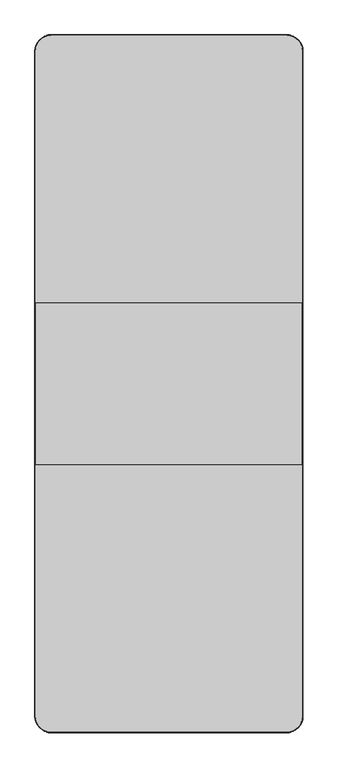
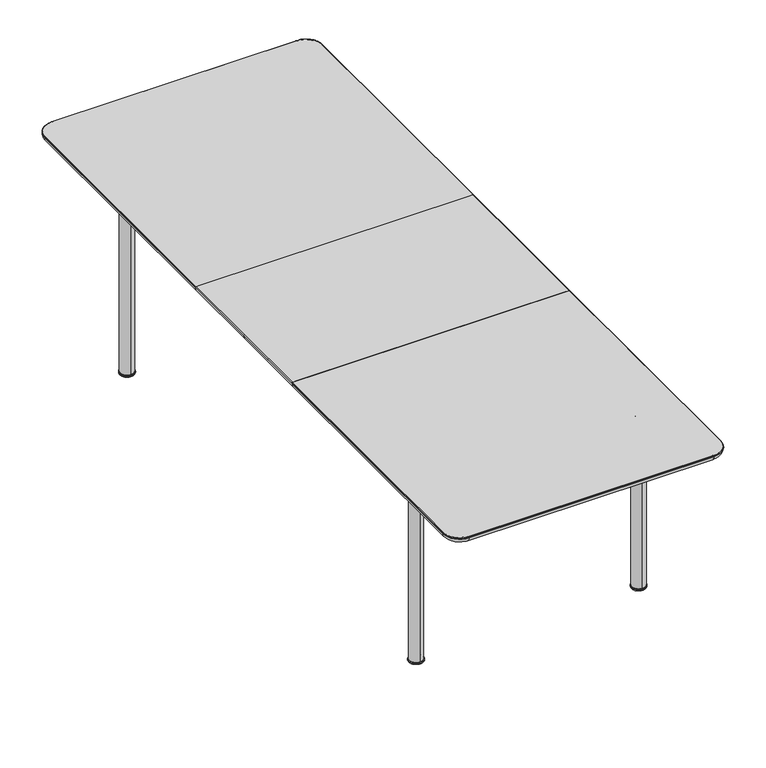
"""IFC4 building model written with IfcOpenShell, lengths in millimetres: furniture geometry."""

from ifc_helpers import new_model, si_unit, point, frame, frame_2d, origin, place, context, project, spatial, polyline, circle_curve, ellipse_curve, trimmed, segment, composite_curve, outline, extrude, source, transform, mapped, element, save
from ifc_brep_helpers import plane_surface, cylinder_surface, revolved_surface, advanced_brep


def furniture_cfee76de(model_context):
    return source(origin(), model_context, "Body", "SolidModel", [
        advanced_brep(
        [(500.0, 0.0, 723.0064935), (498.0, 0.0, 725.0064935), (498.0, -300.0, 725.0064935), (500.0, -300.0, 723.0064935), (492.0, 0.0, 705.0064935), (500.0, 0.0, 721.0064935), (500.0, -300.0, 721.0064935), (492.0, -300.0, 705.0064935), (500.0, 300.0, 723.0064935), (498.0, 300.0, 725.0064935), (492.0, 300.0, 705.0064935), (500.0, 300.0, 721.0064935), (-500.0, 0.0, 723.0064935), (-498.0, 0.0, 725.0064935), (-498.0, 300.0, 725.0064935), (-500.0, 300.0, 723.0064935), (-492.0, 0.0, 705.0064935), (-500.0, 0.0, 721.0064935), (-500.0, 300.0, 721.0064935), (-492.0, 300.0, 705.0064935), (-500.0, -300.0, 723.0064935), (-498.0, -300.0, 725.0064935), (-492.0, -300.0, 705.0064935), (-500.0, -300.0, 721.0064935), (482.510771, -300.0, 725.0064935), (482.510771, 300.0, 725.0064935), (-482.510771, 300.0, 725.0064935), (-482.510771, -300.0, 725.0064935), (483.6332472, 300.0, 705.0064935), (483.6332472, -300.0, 705.0064935), (-483.6332472, -300.0, 705.0064935), (-483.6332472, 300.0, 705.0064935)],
        [
            (0, 1, circle_curve(frame((498.0, 0.0, 723.0064935), z_axis=(0.0, -1.0, 0.0), x_axis=(-1.0, 0.0, 0.0)), 2.0)),
            (1, 2),
            (2, 3, circle_curve(frame((498.0, -300.0, 723.0064935), z_axis=(0.0, 1.0, 0.0), x_axis=(-1.0, 0.0, 0.0)), 2.0)),
            (3, 0),
            (4, 5, circle_curve(frame((480.0, 0.0, 721.0064935), z_axis=(0.0, -1.0, 0.0), x_axis=(-1.0, 0.0, 0.0)), 20.0)),
            (5, 6),
            (6, 7, circle_curve(frame((480.0, -300.0, 721.0064935), z_axis=(0.0, 1.0, 0.0), x_axis=(-1.0, 0.0, 0.0)), 20.0)),
            (7, 4),
            (0, 8),
            (8, 9, circle_curve(frame((498.0, 300.0, 723.0064935), z_axis=(0.0, -1.0, 0.0), x_axis=(-1.0, 0.0, 0.0)), 2.0)),
            (9, 1),
            (4, 10),
            (10, 11, circle_curve(frame((480.0, 300.0, 721.0064935), z_axis=(0.0, -1.0, 0.0), x_axis=(-1.0, 0.0, 0.0)), 20.0)),
            (11, 5),
            (12, 13, circle_curve(frame((-498.0, 0.0, 723.0064935), z_axis=(0.0, 1.0, 0.0), x_axis=(1.0, 0.0, 0.0)), 2.0)),
            (13, 14),
            (14, 15, circle_curve(frame((-498.0, 300.0, 723.0064935), z_axis=(0.0, -1.0, 0.0), x_axis=(1.0, 0.0, 0.0)), 2.0)),
            (15, 12),
            (16, 17, circle_curve(frame((-480.0, 0.0, 721.0064935), z_axis=(0.0, 1.0, 0.0), x_axis=(1.0, 0.0, 0.0)), 20.0)),
            (17, 18),
            (18, 19, circle_curve(frame((-480.0, 300.0, 721.0064935), z_axis=(0.0, -1.0, 0.0), x_axis=(1.0, 0.0, 0.0)), 20.0)),
            (19, 16),
            (12, 20),
            (20, 21, circle_curve(frame((-498.0, -300.0, 723.0064935), z_axis=(0.0, 1.0, 0.0), x_axis=(1.0, 0.0, 0.0)), 2.0)),
            (21, 13),
            (16, 22),
            (22, 23, circle_curve(frame((-480.0, -300.0, 721.0064935), z_axis=(0.0, 1.0, 0.0), x_axis=(1.0, 0.0, 0.0)), 20.0)),
            (23, 17),
            (24, 2),
            (9, 25),
            (25, 26),
            (26, 14),
            (21, 27),
            (27, 24),
            (28, 10),
            (7, 29),
            (29, 30),
            (30, 22),
            (19, 31),
            (31, 28),
            (20, 23),
            (6, 3),
            (11, 8),
            (18, 15),
        ],
        [
            cylinder_surface(frame((498.0, -1240.0, 723.0064935), z_axis=(0.0, 1.0, 0.0), x_axis=(-1.0, 0.0, 0.0)), 2.0),
            cylinder_surface(frame((480.0, -1240.0, 721.0064935), z_axis=(0.0, 1.0, 0.0), x_axis=(-1.0, 0.0, 0.0)), 20.0),
            cylinder_surface(frame((498.0, 0.0, 723.0064935), z_axis=(0.0, 1.0, 0.0), x_axis=(-1.0, 0.0, 0.0)), 2.0),
            cylinder_surface(frame((480.0, 0.0, 721.0064935), z_axis=(0.0, 1.0, 0.0), x_axis=(-1.0, 0.0, 0.0)), 20.0),
            cylinder_surface(frame((-498.0, 1240.0, 723.0064935), z_axis=(0.0, -1.0, 0.0), x_axis=(1.0, 0.0, 0.0)), 2.0),
            cylinder_surface(frame((-480.0, 1240.0, 721.0064935), z_axis=(0.0, -1.0, 0.0), x_axis=(1.0, 0.0, 0.0)), 20.0),
            cylinder_surface(frame((-498.0, 0.0, 723.0064935), z_axis=(0.0, -1.0, 0.0), x_axis=(1.0, 0.0, 0.0)), 2.0),
            cylinder_surface(frame((-480.0, 0.0, 721.0064935), z_axis=(0.0, -1.0, 0.0), x_axis=(1.0, 0.0, 0.0)), 20.0),
            plane_surface(frame((500.0, -300.0, 725.0064935), z_axis=(0.0, 0.0, 1.0), x_axis=(1.0, 0.0, 0.0))),
            plane_surface(frame((500.0, -300.0, 705.0064935), z_axis=(0.0, 0.0, -1.0), x_axis=(-1.0, 0.0, 0.0))),
            plane_surface(frame((-500.0, -300.0, 725.0064935), z_axis=(0.0, -1.0, 0.0), x_axis=(0.0, 0.0, -1.0))),
            plane_surface(frame((500.0, -300.0, 725.0064935), z_axis=(1.0, 0.0, 0.0), x_axis=(0.0, 0.0, -1.0))),
            plane_surface(frame((500.0, 300.0, 725.0064935), z_axis=(0.0, 1.0, 0.0), x_axis=(0.0, 0.0, -1.0))),
            plane_surface(frame((-500.0, 300.0, 725.0064935), z_axis=(-1.0, 0.0, 0.0), x_axis=(0.0, 0.0, -1.0))),
        ],
        [
            (0, [[1, 2, 3, 4]]),
            (1, [[5, 6, 7, 8]]),
            (2, [[-1, 9, 10, 11]]),
            (3, [[-5, 12, 13, 14]]),
            (4, [[15, 16, 17, 18]]),
            (5, [[19, 20, 21, 22]]),
            (6, [[-15, 23, 24, 25]]),
            (7, [[-19, 26, 27, 28]]),
            (8, [[29, -2, -11, 30, 31, 32, -16, -25, 33, 34]]),
            (9, [[35, -12, -8, 36, 37, 38, -26, -22, 39, 40]]),
            (10, [[-29, -34, -33, -24, 41, -27, -38, -37, -36, -7, 42, -3]]),
            (11, [[-42, -6, -14, 43, -9, -4]]),
            (12, [[-30, -10, -43, -13, -35, -40, -39, -21, 44, -17, -32, -31]]),
            (13, [[-41, -23, -18, -44, -20, -28]]),
        ],
    ),
        advanced_brep(
        [(482.510771, 300.0, 725.0064935), (498.0, 300.0, 725.0064935), (498.0, 1240.0, 725.0064935), (440.0, 1298.0, 725.0064935), (-440.0, 1298.0, 725.0064935), (-498.0, 1240.0, 725.0064935), (-498.0, 300.0, 725.0064935), (-482.510771, 300.0, 725.0064935), (492.0, 300.0, 705.0064935), (483.6332472, 300.0, 705.0064935), (-483.6332472, 300.0, 705.0064935), (-492.0, 300.0, 705.0064935), (-492.0, 1240.0, 705.0064935), (-440.0, 1292.0, 705.0064935), (440.0, 1292.0, 705.0064935), (492.0, 1240.0, 705.0064935), (500.0, 1240.0, 723.0064935), (500.0, 1240.0, 721.0064935), (440.0, 1300.0, 721.0064935), (440.0, 1300.0, 723.0064945), (500.0, 300.0, 723.0064935), (500.0, 300.0, 721.0064935), (-500.0, 300.0, 723.0064935), (-500.0, 300.0, 721.0064935), (-500.0, 1240.0, 723.0064935), (-500.0, 1240.0, 721.0064935), (-440.0, 1300.0, 723.0064935), (-440.0, 1300.0, 721.0064935)],
        [
            (0, 1),
            (1, 2),
            (2, 3, circle_curve(frame((440.0, 1240.0, 725.0064935), z_axis=(0.0, 0.0, 1.0), x_axis=(1.0, 0.0, 0.0)), 58.0)),
            (3, 4),
            (4, 5, circle_curve(frame((-440.0, 1240.0, 725.0064935), z_axis=(0.0, 0.0, 1.0), x_axis=(0.0, 1.0, 0.0)), 58.0)),
            (5, 6),
            (6, 7),
            (7, 0),
            (8, 9),
            (9, 10),
            (10, 11),
            (11, 12),
            (12, 13, circle_curve(frame((-440.0, 1240.0, 705.0064935), z_axis=(0.0, 0.0, -1.0), x_axis=(0.0, 1.0, 0.0)), 52.0)),
            (13, 14),
            (14, 15, circle_curve(frame((440.0, 1240.0, 705.0064935), z_axis=(0.0, 0.0, -1.0), x_axis=(1.0, 0.0, 0.0)), 52.0)),
            (15, 8),
            (16, 17),
            (17, 18, circle_curve(frame((440.0, 1240.0, 721.0064935), z_axis=(0.0, 0.0, 1.0), x_axis=(0.0, -1.0, 0.0)), 60.0)),
            (18, 19),
            (19, 16, circle_curve(frame((440.0, 1240.0, 723.0064935), z_axis=(0.0, 0.0, -1.0), x_axis=(0.0, -1.0, 0.0)), 60.0)),
            (16, 20),
            (20, 21),
            (21, 17),
            (6, 22, circle_curve(frame((-498.0, 300.0, 723.0064935), z_axis=(0.0, -1.0, 0.0), x_axis=(1.0, 0.0, 0.0)), 2.0)),
            (22, 23),
            (23, 11, circle_curve(frame((-480.0, 300.0, 721.0064935), z_axis=(0.0, -1.0, 0.0), x_axis=(1.0, 0.0, 0.0)), 20.0)),
            (8, 21, circle_curve(frame((480.0, 300.0, 721.0064935), z_axis=(0.0, -1.0, 0.0), x_axis=(-1.0, 0.0, 0.0)), 20.0)),
            (20, 1, circle_curve(frame((498.0, 300.0, 723.0064935), z_axis=(0.0, -1.0, 0.0), x_axis=(-1.0, 0.0, 0.0)), 2.0)),
            (22, 24),
            (24, 25),
            (25, 23),
            (24, 26, circle_curve(frame((-440.0, 1240.0, 723.0064935), z_axis=(0.0, 0.0, -1.0), x_axis=(0.0, -1.0, 0.0)), 60.0)),
            (26, 27),
            (27, 25, circle_curve(frame((-440.0, 1240.0, 721.0064935), z_axis=(0.0, 0.0, 1.0), x_axis=(0.0, -1.0, 0.0)), 60.0)),
            (26, 19),
            (18, 27),
            (16, 2, circle_curve(frame((498.0, 1240.0, 723.0064935), z_axis=(0.0, -1.0, 0.0), x_axis=(-1.0, 0.0, 0.0)), 2.0)),
            (15, 17, circle_curve(frame((480.0, 1240.0, 721.0064935), z_axis=(0.0, -1.0, 0.0), x_axis=(-1.0, 0.0, 0.0)), 20.0)),
            (19, 3, circle_curve(frame((440.0, 1298.0, 723.0064935), z_axis=(1.0, 0.0, 0.0), x_axis=(0.0, -1.0, 0.0)), 2.0)),
            (14, 18, circle_curve(frame((440.0, 1280.0, 721.0064935), z_axis=(1.0, 0.0, 0.0), x_axis=(0.0, -1.0, 0.0)), 20.0)),
            (26, 4, circle_curve(frame((-440.0, 1298.0, 723.0064935), z_axis=(1.0, 0.0, 0.0), x_axis=(0.0, -1.0, 0.0)), 2.0)),
            (13, 27, circle_curve(frame((-440.0, 1280.0, 721.0064935), z_axis=(1.0, 0.0, 0.0), x_axis=(0.0, -1.0, 0.0)), 20.0)),
            (24, 5, circle_curve(frame((-498.0, 1240.0, 723.0064935), z_axis=(0.0, 1.0, 0.0), x_axis=(1.0, 0.0, 0.0)), 2.0)),
            (12, 25, circle_curve(frame((-480.0, 1240.0, 721.0064935), z_axis=(0.0, 1.0, 0.0), x_axis=(1.0, 0.0, 0.0)), 20.0)),
        ],
        [
            plane_surface(frame((-440.0, 1300.0, 725.0064935), z_axis=(0.0, 0.0, 1.0), x_axis=(-1.0, 0.0, 0.0))),
            plane_surface(frame((-440.0, 1300.0, 705.0064935), z_axis=(0.0, 0.0, -1.0), x_axis=(1.0, 0.0, 0.0))),
            cylinder_surface(frame((440.0, 1240.0, 705.0064935), z_axis=(0.0, 0.0, 1.0), x_axis=(0.0, -1.0, 0.0)), 60.0),
            plane_surface(frame((500.0, 300.0, 725.0064935), z_axis=(1.0, 0.0, 0.0), x_axis=(0.0, 0.0, -1.0))),
            plane_surface(frame((-500.0, 300.0, 725.0064935), z_axis=(0.0, -1.0, 0.0), x_axis=(0.0, 0.0, -1.0))),
            plane_surface(frame((-500.0, 1240.0, 725.0064935), z_axis=(-1.0, 0.0, 0.0), x_axis=(0.0, 0.0, -1.0))),
            cylinder_surface(frame((-440.0, 1240.0, 705.0064935), z_axis=(0.0, 0.0, 1.0), x_axis=(0.0, -1.0, 0.0)), 60.0),
            plane_surface(frame((440.0, 1300.0, 725.0064935), z_axis=(0.0, 1.0, 0.0), x_axis=(0.0, 0.0, -1.0))),
            cylinder_surface(frame((498.0, 0.0, 723.0064935), z_axis=(0.0, 1.0, 0.0), x_axis=(-1.0, 0.0, 0.0)), 2.0),
            cylinder_surface(frame((480.0, 0.0, 721.0064935), z_axis=(0.0, 1.0, 0.0), x_axis=(-1.0, 0.0, 0.0)), 20.0),
            revolved_surface(trimmed(ellipse_curve(frame((498.0, 1240.0, 723.0064935), z_axis=(0.0, -1.0, 0.0), x_axis=(-1.0, 0.0, 0.0)), 2.0, 2.0), [point((500.0, 1240.0, 723.0064935))], [point((498.0, 1240.0, 725.0064935))], True, "CARTESIAN"), (440.0, 1240.0, 0.0), (0.0, 0.0, 1.0)),
            revolved_surface(trimmed(ellipse_curve(frame((480.0, 1240.0, 721.0064935), z_axis=(0.0, -1.0, 0.0), x_axis=(-1.0, 0.0, 0.0)), 20.0, 20.0), [point((492.0, 1240.0, 705.0064935))], [point((500.0, 1240.0, 721.0064935))], True, "CARTESIAN"), (440.0, 1240.0, 0.0), (0.0, 0.0, 1.0)),
            cylinder_surface(frame((440.0, 1298.0, 723.0064935), z_axis=(-1.0, 0.0, 0.0), x_axis=(0.0, -1.0, 0.0)), 2.0),
            cylinder_surface(frame((440.0, 1280.0, 721.0064935), z_axis=(-1.0, 0.0, 0.0), x_axis=(0.0, -1.0, 0.0)), 20.0),
            revolved_surface(trimmed(ellipse_curve(frame((-440.0, 1298.0, 723.0064935), z_axis=(1.0, 0.0, 0.0), x_axis=(0.0, -1.0, 0.0)), 2.0, 2.0), [point((-440.0, 1300.0, 723.0064935))], [point((-440.0, 1298.0, 725.0064935))], True, "CARTESIAN"), (-440.0, 1240.0, 0.0), (0.0, 0.0, 1.0)),
            revolved_surface(trimmed(ellipse_curve(frame((-440.0, 1280.0, 721.0064935), z_axis=(1.0, 0.0, 0.0), x_axis=(0.0, -1.0, 0.0)), 20.0, 20.0), [point((-440.0, 1292.0, 705.0064935))], [point((-440.0, 1300.0, 721.0064935))], True, "CARTESIAN"), (-440.0, 1240.0, 0.0), (0.0, 0.0, 1.0)),
            cylinder_surface(frame((-498.0, 1240.0, 723.0064935), z_axis=(0.0, -1.0, 0.0), x_axis=(1.0, 0.0, 0.0)), 2.0),
            cylinder_surface(frame((-480.0, 1240.0, 721.0064935), z_axis=(0.0, -1.0, 0.0), x_axis=(1.0, 0.0, 0.0)), 20.0),
        ],
        [
            (0, [[1, 2, 3, 4, 5, 6, 7, 8]]),
            (1, [[9, 10, 11, 12, 13, 14, 15, 16]]),
            (2, [[17, 18, 19, 20]]),
            (3, [[-17, 21, 22, 23]]),
            (4, [[-1, -8, -7, 24, 25, 26, -11, -10, -9, 27, -22, 28]]),
            (5, [[-25, 29, 30, 31]]),
            (6, [[-30, 32, 33, 34]]),
            (7, [[-33, 35, -19, 36]]),
            (8, [[37, -2, -28, -21]]),
            (9, [[38, -23, -27, -16]]),
            (10, [[-37, -20, 39, -3]]),
            (11, [[-38, -15, 40, -18]]),
            (12, [[-39, -35, 41, -4]]),
            (13, [[-40, -14, 42, -36]]),
            (14, [[-41, -32, 43, -5]]),
            (15, [[-42, -13, 44, -34]]),
            (16, [[-43, -29, -24, -6]]),
            (17, [[-44, -12, -26, -31]]),
        ],
    ),
        advanced_brep(
        [(498.0, -300.0, 725.0064935), (482.510771, -300.0, 725.0064935), (-482.510771, -300.0, 725.0064935), (-498.0, -300.0, 725.0064935), (-498.0, -1240.0, 725.0064935), (-440.0, -1298.0, 725.0064935), (440.0, -1298.0, 725.0064935), (498.0, -1240.0, 725.0064935), (483.6332472, -300.0, 705.0064935), (492.0, -300.0, 705.0064935), (492.0, -1240.0, 705.0064935), (440.0, -1292.0, 705.0064935), (-440.0, -1292.0, 705.0064935), (-492.0, -1240.0, 705.0064935), (-492.0, -300.0, 705.0064935), (-483.6332472, -300.0, 705.0064935), (440.0, -1300.0, 723.0064935), (440.0, -1300.0, 721.0064935), (500.0, -1240.0, 721.0064935), (500.0, -1240.0, 723.0064954), (500.0, -300.0, 721.0064935), (500.0, -300.0, 723.0064935), (-500.0, -300.0, 721.0064935), (-500.0, -300.0, 723.0064935), (-500.0, -1240.0, 721.0064935), (-500.0, -1240.0, 723.0064942), (-440.0, -1300.0, 721.0064935), (-440.0, -1300.0, 723.0064949)],
        [
            (0, 1),
            (1, 2),
            (2, 3),
            (3, 4),
            (4, 5, circle_curve(frame((-440.0, -1240.0, 725.0064935), z_axis=(0.0, 0.0, 1.0), x_axis=(-1.0, 0.0, 0.0)), 58.0)),
            (5, 6),
            (6, 7, circle_curve(frame((440.0, -1240.0, 725.0064935), z_axis=(0.0, 0.0, 1.0), x_axis=(0.0, -1.0, 0.0)), 58.0)),
            (7, 0),
            (8, 9),
            (9, 10),
            (10, 11, circle_curve(frame((440.0, -1240.0, 705.0064935), z_axis=(0.0, 0.0, -1.0), x_axis=(0.0, -1.0, 0.0)), 52.0)),
            (11, 12),
            (12, 13, circle_curve(frame((-440.0, -1240.0, 705.0064935), z_axis=(0.0, 0.0, -1.0), x_axis=(-1.0, 0.0, 0.0)), 52.0)),
            (13, 14),
            (14, 15),
            (15, 8),
            (16, 17),
            (17, 18, circle_curve(frame((440.0, -1240.0, 721.0064935), z_axis=(0.0, 0.0, 1.0), x_axis=(0.0, 1.0, 0.0)), 60.0)),
            (18, 19),
            (19, 16, circle_curve(frame((440.0, -1240.0, 723.0064935), z_axis=(0.0, 0.0, -1.0), x_axis=(0.0, 1.0, 0.0)), 60.0)),
            (18, 20),
            (20, 21),
            (21, 19),
            (0, 21, circle_curve(frame((498.0, -300.0, 723.0064935), z_axis=(0.0, 1.0, 0.0), x_axis=(-1.0, 0.0, 0.0)), 2.0)),
            (20, 9, circle_curve(frame((480.0, -300.0, 721.0064935), z_axis=(0.0, 1.0, 0.0), x_axis=(-1.0, 0.0, 0.0)), 20.0)),
            (14, 22, circle_curve(frame((-480.0, -300.0, 721.0064935), z_axis=(0.0, 1.0, 0.0), x_axis=(1.0, 0.0, 0.0)), 20.0)),
            (22, 23),
            (23, 3, circle_curve(frame((-498.0, -300.0, 723.0064935), z_axis=(0.0, 1.0, 0.0), x_axis=(1.0, 0.0, 0.0)), 2.0)),
            (22, 24),
            (24, 25),
            (25, 23),
            (24, 26, circle_curve(frame((-440.0, -1240.0, 721.0064935), z_axis=(0.0, 0.0, 1.0), x_axis=(0.0, 1.0, 0.0)), 60.0)),
            (26, 27),
            (27, 25, circle_curve(frame((-440.0, -1240.0, 723.0064935), z_axis=(0.0, 0.0, -1.0), x_axis=(0.0, 1.0, 0.0)), 60.0)),
            (16, 27),
            (26, 17),
            (27, 5, circle_curve(frame((-440.0, -1298.0, 723.0064935), z_axis=(-1.0, 0.0, 0.0), x_axis=(0.0, 1.0, 0.0)), 2.0)),
            (4, 25, circle_curve(frame((-498.0, -1240.0, 723.0064935), z_axis=(0.0, -1.0, 0.0), x_axis=(1.0, 0.0, 0.0)), 2.0)),
            (12, 26, circle_curve(frame((-440.0, -1280.0, 721.0064935), z_axis=(-1.0, 0.0, 0.0), x_axis=(0.0, 1.0, 0.0)), 20.0)),
            (24, 13, circle_curve(frame((-480.0, -1240.0, 721.0064935), z_axis=(0.0, -1.0, 0.0), x_axis=(1.0, 0.0, 0.0)), 20.0)),
            (16, 6, circle_curve(frame((440.0, -1298.0, 723.0064935), z_axis=(-1.0, 0.0, 0.0), x_axis=(0.0, 1.0, 0.0)), 2.0)),
            (11, 17, circle_curve(frame((440.0, -1280.0, 721.0064935), z_axis=(-1.0, 0.0, 0.0), x_axis=(0.0, 1.0, 0.0)), 20.0)),
            (19, 7, circle_curve(frame((498.0, -1240.0, 723.0064935), z_axis=(0.0, -1.0, 0.0), x_axis=(-1.0, 0.0, 0.0)), 2.0)),
            (10, 18, circle_curve(frame((480.0, -1240.0, 721.0064935), z_axis=(0.0, -1.0, 0.0), x_axis=(-1.0, 0.0, 0.0)), 20.0)),
        ],
        [
            plane_surface(frame((440.0, -1180.0, 725.0064935), z_axis=(0.0, 0.0, 1.0), x_axis=(-1.0, 0.0, 0.0))),
            plane_surface(frame((440.0, -1180.0, 705.0064935), z_axis=(0.0, 0.0, -1.0), x_axis=(1.0, 0.0, 0.0))),
            cylinder_surface(frame((440.0, -1240.0, 705.0064935), z_axis=(0.0, 0.0, 1.0), x_axis=(0.0, 1.0, 0.0)), 60.0),
            plane_surface(frame((500.0, -1240.0, 725.0064935), z_axis=(1.0, 0.0, 0.0), x_axis=(0.0, 0.0, -1.0))),
            plane_surface(frame((500.0, -300.0, 725.0064935), z_axis=(0.0, 1.0, 0.0), x_axis=(0.0, 0.0, -1.0))),
            plane_surface(frame((-500.0, -300.0, 725.0064935), z_axis=(-1.0, 0.0, 0.0), x_axis=(0.0, 0.0, -1.0))),
            cylinder_surface(frame((-440.0, -1240.0, 705.0064935), z_axis=(0.0, 0.0, 1.0), x_axis=(0.0, 1.0, 0.0)), 60.0),
            plane_surface(frame((-440.0, -1300.0, 725.0064935), z_axis=(0.0, -1.0, 0.0), x_axis=(0.0, 0.0, -1.0))),
            revolved_surface(trimmed(ellipse_curve(frame((-498.0, -1240.0, 723.0064935), z_axis=(0.0, 1.0, 0.0), x_axis=(1.0, 0.0, 0.0)), 2.0, 2.0), [point((-500.0, -1240.0, 723.0064935))], [point((-498.0, -1240.0, 725.0064935))], True, "CARTESIAN"), (-440.0, -1240.0, 0.0), (0.0, 0.0, 1.0)),
            revolved_surface(trimmed(ellipse_curve(frame((-480.0, -1240.0, 721.0064935), z_axis=(0.0, 1.0, 0.0), x_axis=(1.0, 0.0, 0.0)), 20.0, 20.0), [point((-492.0, -1240.0, 705.0064935))], [point((-500.0, -1240.0, 721.0064935))], True, "CARTESIAN"), (-440.0, -1240.0, 0.0), (0.0, 0.0, 1.0)),
            cylinder_surface(frame((-440.0, -1298.0, 723.0064935), z_axis=(1.0, 0.0, 0.0), x_axis=(0.0, 1.0, 0.0)), 2.0),
            cylinder_surface(frame((-440.0, -1280.0, 721.0064935), z_axis=(1.0, 0.0, 0.0), x_axis=(0.0, 1.0, 0.0)), 20.0),
            revolved_surface(trimmed(ellipse_curve(frame((440.0, -1298.0, 723.0064935), z_axis=(-1.0, 0.0, 0.0), x_axis=(0.0, 1.0, 0.0)), 2.0, 2.0), [point((440.0, -1300.0, 723.0064935))], [point((440.0, -1298.0, 725.0064935))], True, "CARTESIAN"), (440.0, -1240.0, 0.0), (0.0, 0.0, 1.0)),
            revolved_surface(trimmed(ellipse_curve(frame((440.0, -1280.0, 721.0064935), z_axis=(-1.0, 0.0, 0.0), x_axis=(0.0, 1.0, 0.0)), 20.0, 20.0), [point((440.0, -1292.0, 705.0064935))], [point((440.0, -1300.0, 721.0064935))], True, "CARTESIAN"), (440.0, -1240.0, 0.0), (0.0, 0.0, 1.0)),
            cylinder_surface(frame((498.0, -1240.0, 723.0064935), z_axis=(0.0, 1.0, 0.0), x_axis=(-1.0, 0.0, 0.0)), 2.0),
            cylinder_surface(frame((480.0, -1240.0, 721.0064935), z_axis=(0.0, 1.0, 0.0), x_axis=(-1.0, 0.0, 0.0)), 20.0),
            cylinder_surface(frame((-498.0, 0.0, 723.0064935), z_axis=(0.0, -1.0, 0.0), x_axis=(1.0, 0.0, 0.0)), 2.0),
            cylinder_surface(frame((-480.0, 0.0, 721.0064935), z_axis=(0.0, -1.0, 0.0), x_axis=(1.0, 0.0, 0.0)), 20.0),
        ],
        [
            (0, [[1, 2, 3, 4, 5, 6, 7, 8]]),
            (1, [[9, 10, 11, 12, 13, 14, 15, 16]]),
            (2, [[17, 18, 19, 20]]),
            (3, [[-19, 21, 22, 23]]),
            (4, [[-1, 24, -22, 25, -9, -16, -15, 26, 27, 28, -3, -2]]),
            (5, [[-27, 29, 30, 31]]),
            (6, [[-30, 32, 33, 34]]),
            (7, [[-17, 35, -33, 36]]),
            (8, [[37, -5, 38, -34]]),
            (9, [[39, -32, 40, -13]]),
            (10, [[-37, -35, 41, -6]]),
            (11, [[-39, -12, 42, -36]]),
            (12, [[-41, -20, 43, -7]]),
            (13, [[-42, -11, 44, -18]]),
            (14, [[-43, -23, -24, -8]]),
            (15, [[-44, -10, -25, -21]]),
            (16, [[-38, -4, -28, -31]]),
            (17, [[-40, -29, -26, -14]]),
        ],
    ),
        extrude(outline(polyline([(642.0064935, -316.0219396), (642.0064935, 316.6229651), (667.8036245, 387.5), (683.766291, 387.5), (657.0064935, 313.9780604), (657.0064935, -313.3770349), (683.9850464, -387.5), (668.0223798, -387.5), (642.0064935, -316.0219396)])), frame((0.0, 242.5, 0.0), z_axis=(0.0, 1.0, 0.0), x_axis=(0.0, 0.0, 1.0)), (0.0, 0.0, 1.0), 15.0),
        extrude(outline(polyline([(642.0064935, -316.0219396), (642.0064935, 316.6229651), (667.8036245, 387.5), (683.766291, 387.5), (657.0064935, 313.9780604), (657.0064935, -313.3770349), (683.9850464, -387.5), (668.0223798, -387.5), (642.0064935, -316.0219396)])), frame((0.0, -7.5, 0.0), z_axis=(0.0, 1.0, 0.0), x_axis=(0.0, 0.0, 1.0)), (0.0, 0.0, 1.0), 15.0),
        extrude(outline(polyline([(642.0064935, -316.0219396), (642.0064935, 316.6229651), (667.8036245, 387.5), (683.766291, 387.5), (657.0064935, 313.9780604), (657.0064935, -313.3770349), (683.9850464, -387.5), (668.0223798, -387.5), (642.0064935, -316.0219396)])), frame((0.0, -257.5, 0.0), z_axis=(0.0, 1.0, 0.0), x_axis=(0.0, 0.0, 1.0)), (0.0, 0.0, 1.0), 15.0),
        extrude(outline(composite_curve([segment(trimmed(circle_curve(frame_2d((688.5689935, -340.0)), 12.5), [point((688.5689935, -352.5))], [point((688.5689935, -327.5))], False, "CARTESIAN"), True, "CONTINUOUS"), segment(trimmed(circle_curve(frame_2d((688.5689935, -340.0)), 12.5), [point((688.5689935, -327.5))], [point((688.5689935, -352.5))], False, "CARTESIAN"), True, "CONTINUOUS")], self_intersect=False)), frame((0.0, -887.5, 0.0), z_axis=(0.0, 1.0, 0.0), x_axis=(0.0, 0.0, 1.0)), (0.0, 0.0, 1.0), 1775.8862765),
        advanced_brep(
        [(-387.5, -887.5, 689.5199779), (-412.5, -887.5, 689.5199779), (-412.5, -887.5, 664.4807411), (-387.5, -887.5, 664.4807411), (-387.5, 0.0, 689.5199779), (-412.5, 0.0, 689.5199779), (-412.5, 887.5, 689.5199779), (-412.5, 887.5, 664.4807411), (-412.5, 0.0, 664.4807411), (-387.5, 0.0, 664.4807411), (-387.5, 887.5, 664.4807411), (-387.5, 887.5, 689.5199779)],
        [
            (0, 1, circle_curve(frame((-400.0, -887.5, 689.5199779), z_axis=(0.0, -1.0, 0.0), x_axis=(-1.0, 0.0, 0.0)), 12.5)),
            (1, 2),
            (2, 3, circle_curve(frame((-400.0, -887.5, 664.4807411), z_axis=(0.0, -1.0, 0.0), x_axis=(-1.0, 0.0, 0.0)), 12.5)),
            (3, 0),
            (0, 4),
            (4, 5, circle_curve(frame((-400.0, 0.0, 689.5199779), z_axis=(0.0, -1.0, 0.0), x_axis=(-1.0, 0.0, 0.0)), 12.5)),
            (5, 1),
            (5, 6),
            (6, 7),
            (7, 8),
            (8, 2),
            (8, 9, circle_curve(frame((-400.0, 0.0, 664.4807411), z_axis=(0.0, -1.0, 0.0), x_axis=(-1.0, 0.0, 0.0)), 12.5)),
            (9, 3),
            (9, 10),
            (10, 11),
            (11, 4),
            (10, 7, circle_curve(frame((-400.0, 887.5, 664.4807411), z_axis=(0.0, 1.0, 0.0), x_axis=(-1.0, 0.0, 0.0)), 12.5)),
            (6, 11, circle_curve(frame((-400.0, 887.5, 689.5199779), z_axis=(0.0, 1.0, 0.0), x_axis=(-1.0, 0.0, 0.0)), 12.5)),
        ],
        [
            plane_surface(frame((-412.5, -887.5, 689.5199779), z_axis=(0.0, -1.0, 0.0), x_axis=(0.0, 0.0, -1.0))),
            cylinder_surface(frame((-400.0, 0.0, 689.5199779), z_axis=(0.0, -1.0, 0.0), x_axis=(-1.0, 0.0, 0.0)), 12.5),
            plane_surface(frame((-412.5, -887.5, 689.5199779), z_axis=(-1.0, 0.0, 0.0), x_axis=(0.0, 1.0, 0.0))),
            cylinder_surface(frame((-400.0, 0.0, 664.4807411), z_axis=(0.0, -1.0, 0.0), x_axis=(-1.0, 0.0, 0.0)), 12.5),
            plane_surface(frame((-387.5, -887.5, 664.4807411), z_axis=(1.0, 0.0, 0.0), x_axis=(0.0, 1.0, 0.0))),
            plane_surface(frame((-387.5, 887.5, 664.506188), z_axis=(0.0, 1.0, 0.0), x_axis=(0.0, 0.0, -1.0))),
            cylinder_surface(frame((-400.0, 0.0, 689.5199779), z_axis=(0.0, 1.0, 0.0), x_axis=(-1.0, 0.0, 0.0)), 12.5),
            cylinder_surface(frame((-400.0, 0.0, 664.4807411), z_axis=(0.0, 1.0, 0.0), x_axis=(-1.0, 0.0, 0.0)), 12.5),
        ],
        [
            (0, [[1, 2, 3, 4]]),
            (1, [[-1, 5, 6, 7]]),
            (2, [[-2, -7, 8, 9, 10, 11]]),
            (3, [[-3, -11, 12, 13]]),
            (4, [[-4, -13, 14, 15, 16, -5]]),
            (5, [[-15, 17, -9, 18]]),
            (6, [[-18, -8, -6, -16]]),
            (7, [[-17, -14, -12, -10]]),
        ],
    ),
        advanced_brep(
        [(387.5, -887.5, 689.5199779), (387.5, -887.5, 664.4807411), (412.5, -887.5, 664.4807411), (412.5, -887.5, 689.5199779), (412.5, 0.0, 689.5199779), (387.5, 0.0, 689.5199779), (412.5, 0.0, 664.4807411), (412.5, 887.5, 664.4807411), (412.5, 887.5, 689.5199779), (387.5, 0.0, 664.4807411), (387.5, 887.5, 689.5199779), (387.5, 887.5, 664.4807411)],
        [
            (0, 1),
            (1, 2, circle_curve(frame((400.0, -887.5, 664.4807411), z_axis=(0.0, -1.0, 0.0), x_axis=(1.0, 0.0, 0.0)), 12.5)),
            (2, 3),
            (3, 0, circle_curve(frame((400.0, -887.5, 689.5199779), z_axis=(0.0, -1.0, 0.0), x_axis=(1.0, 0.0, 0.0)), 12.5)),
            (3, 4),
            (4, 5, circle_curve(frame((400.0, 0.0, 689.5199779), z_axis=(0.0, -1.0, 0.0), x_axis=(1.0, 0.0, 0.0)), 12.5)),
            (5, 0),
            (2, 6),
            (6, 7),
            (7, 8),
            (8, 4),
            (1, 9),
            (9, 6, circle_curve(frame((400.0, 0.0, 664.4807411), z_axis=(0.0, -1.0, 0.0), x_axis=(1.0, 0.0, 0.0)), 12.5)),
            (5, 10),
            (10, 11),
            (11, 9),
            (10, 8, circle_curve(frame((400.0, 887.5, 689.5199779), z_axis=(0.0, 1.0, 0.0), x_axis=(1.0, 0.0, 0.0)), 12.5)),
            (7, 11, circle_curve(frame((400.0, 887.5, 664.4807411), z_axis=(0.0, 1.0, 0.0), x_axis=(1.0, 0.0, 0.0)), 12.5)),
        ],
        [
            plane_surface(frame((387.5, -887.5, 664.506188), z_axis=(0.0, -1.0, 0.0), x_axis=(0.0, 0.0, -1.0))),
            cylinder_surface(frame((400.0, 0.0, 689.5199779), z_axis=(0.0, -1.0, 0.0), x_axis=(1.0, 0.0, 0.0)), 12.5),
            plane_surface(frame((412.5, -887.5, 664.4807411), z_axis=(1.0, 0.0, 0.0), x_axis=(0.0, 1.0, 0.0))),
            cylinder_surface(frame((400.0, 0.0, 664.4807411), z_axis=(0.0, -1.0, 0.0), x_axis=(1.0, 0.0, 0.0)), 12.5),
            plane_surface(frame((387.5, -887.5, 689.5199779), z_axis=(-1.0, 0.0, 0.0), x_axis=(0.0, 1.0, 0.0))),
            plane_surface(frame((412.5, 887.5, 689.5199779), z_axis=(0.0, 1.0, 0.0), x_axis=(0.0, 0.0, -1.0))),
            cylinder_surface(frame((400.0, 0.0, 689.5199779), z_axis=(0.0, 1.0, 0.0), x_axis=(1.0, 0.0, 0.0)), 12.5),
            cylinder_surface(frame((400.0, 0.0, 664.4807411), z_axis=(0.0, 1.0, 0.0), x_axis=(1.0, 0.0, 0.0)), 12.5),
        ],
        [
            (0, [[1, 2, 3, 4]]),
            (1, [[-4, 5, 6, 7]]),
            (2, [[-3, 8, 9, 10, 11, -5]]),
            (3, [[-2, 12, 13, -8]]),
            (4, [[-1, -7, 14, 15, 16, -12]]),
            (5, [[17, -10, 18, -15]]),
            (6, [[-17, -14, -6, -11]]),
            (7, [[-18, -9, -13, -16]]),
        ],
    ),
        extrude(outline(composite_curve([segment(trimmed(circle_curve(frame_2d((900.0, 689.5199779)), 12.5), [point((887.5, 689.5199779))], [point((912.5, 689.5199779))], False, "CARTESIAN"), True, "CONTINUOUS"), segment(polyline([(912.5, 689.5199779), (912.5, 664.4807411)]), True, "CONTINUOUS"), segment(trimmed(circle_curve(frame_2d((900.0, 664.4807411)), 12.5), [point((912.5, 664.4807411))], [point((887.5, 664.4807411))], False, "CARTESIAN"), True, "CONTINUOUS"), segment(polyline([(887.5, 664.4807411), (887.5, 689.5199779)]), True, "CONTINUOUS")], self_intersect=False)), frame((-387.5, 0.0, 0.0), z_axis=(1.0, 0.0, 0.0), x_axis=(0.0, 1.0, 0.0)), (0.0, 0.0, 1.0), 775.0),
        advanced_brep(
        [(-400.0, 899.9751431, 7.0064935), (-400.0, 876.0499492, 7.0064935), (-400.0, 923.9003371, 7.0064935), (-400.0, 923.4003371, 0.0), (-400.0, 876.5499492, 0.0), (-400.0, 899.9751431, 0.0), (-400.0, 926.4003371, 3.0), (-400.0, 873.5499492, 3.0), (-400.0, 926.4003371, 4.5064935), (-400.0, 873.5499492, 4.5064935)],
        [
            (0, 1),
            (1, 2, circle_curve(frame((-400.0, 899.9751431, 7.0064935), z_axis=(0.0, 0.0, 1.0), x_axis=(0.0, -1.0, 0.0)), 23.925194)),
            (2, 0),
            (2, 1, circle_curve(frame((-400.0, 899.9751431, 7.0064935), z_axis=(0.0, 0.0, 1.0), x_axis=(0.0, -1.0, 0.0)), 23.925194)),
            (3, 4, circle_curve(frame((-400.0, 899.9751431, 0.0), z_axis=(0.0, 0.0, -1.0), x_axis=(0.0, -1.0, 0.0)), 23.425194)),
            (4, 5),
            (5, 3),
            (4, 3, circle_curve(frame((-400.0, 899.9751431, 0.0), z_axis=(0.0, 0.0, -1.0), x_axis=(0.0, -1.0, 0.0)), 23.425194)),
            (6, 7, circle_curve(frame((-400.0, 899.9751431, 3.0), z_axis=(0.0, 0.0, -1.0), x_axis=(0.0, -1.0, 0.0)), 26.425194)),
            (7, 4, circle_curve(frame((-400.0, 876.5499492, 3.0), z_axis=(1.0, 0.0, 0.0), x_axis=(0.0, -1.0, 0.0)), 3.0)),
            (3, 6, circle_curve(frame((-400.0, 923.4003371, 3.0), z_axis=(1.0, 0.0, 0.0), x_axis=(0.0, 1.0, 0.0)), 3.0)),
            (7, 6, circle_curve(frame((-400.0, 899.9751431, 3.0), z_axis=(0.0, 0.0, -1.0), x_axis=(0.0, -1.0, 0.0)), 26.425194)),
            (8, 9, circle_curve(frame((-400.0, 899.9751431, 4.5064935), z_axis=(0.0, 0.0, -1.0), x_axis=(0.0, -1.0, 0.0)), 26.425194)),
            (9, 7),
            (6, 8),
            (9, 8, circle_curve(frame((-400.0, 899.9751431, 4.5064935), z_axis=(0.0, 0.0, -1.0), x_axis=(0.0, -1.0, 0.0)), 26.425194)),
            (1, 9, circle_curve(frame((-400.0, 876.0499492, 4.5064935), z_axis=(1.0, 0.0, 0.0), x_axis=(0.0, -1.0, 0.0)), 2.5)),
            (8, 2, circle_curve(frame((-400.0, 923.9003371, 4.5064935), z_axis=(1.0, 0.0, 0.0), x_axis=(0.0, 1.0, 0.0)), 2.5)),
        ],
        [
            plane_surface(frame((-400.0, 899.9751431, 7.0064935), z_axis=(0.0, 0.0, 1.0), x_axis=(0.0, -1.0, 0.0))),
            plane_surface(frame((-400.0, 899.9751431, 0.0), z_axis=(0.0, 0.0, -1.0), x_axis=(0.0, -1.0, 0.0))),
            revolved_surface(trimmed(ellipse_curve(frame((-400.0, 876.5499492, 3.0), z_axis=(-1.0, 0.0, 0.0), x_axis=(0.0, -1.0, 0.0)), 3.0, 3.0), [point((-400.0, 876.5499492, 0.0))], [point((-400.0, 873.5499492, 3.0))], True, "CARTESIAN"), (-400.0, 899.9751431, 7.0064935), (0.0, 0.0, 1.0)),
            cylinder_surface(frame((-400.0, 899.9751431, 7.0064935), z_axis=(0.0, 0.0, 1.0), x_axis=(0.0, -1.0, 0.0)), 26.425194),
            revolved_surface(trimmed(ellipse_curve(frame((-400.0, 876.0499492, 4.5064935), z_axis=(-1.0, 0.0, 0.0), x_axis=(0.0, -1.0, 0.0)), 2.5, 2.5), [point((-400.0, 873.5499492, 4.5064935))], [point((-400.0, 876.0499492, 7.0064935))], True, "CARTESIAN"), (-400.0, 899.9751431, 7.0064935), (0.0, 0.0, 1.0)),
        ],
        [
            (0, [[1, 2, 3]]),
            (0, [[-3, 4, -1]]),
            (1, [[5, 6, 7]]),
            (1, [[8, -7, -6]]),
            (2, [[9, 10, -5, 11]]),
            (2, [[12, -11, -8, -10]]),
            (3, [[13, 14, -9, 15]]),
            (3, [[16, -15, -12, -14]]),
            (4, [[-2, 17, -13, 18]]),
            (4, [[-4, -18, -16, -17]]),
        ],
    ),
        extrude(outline(composite_curve([segment(trimmed(circle_curve(frame_2d((-400.0034069, 899.9751431)), 24.0), [point((-400.0034069, 923.9751431))], [point((-400.0034069, 875.9751431))], False, "CARTESIAN"), True, "CONTINUOUS"), segment(trimmed(circle_curve(frame_2d((-400.0034069, 899.9751431)), 24.0), [point((-400.0034069, 875.9751431))], [point((-400.0034069, 923.9751431))], False, "CARTESIAN"), True, "CONTINUOUS")], self_intersect=False)), frame((0.0, 0.0, 7.0064935), z_axis=(0.0, 0.0, 1.0), x_axis=(1.0, 0.0, 0.0)), (0.0, 0.0, 1.0), 695.0),
        advanced_brep(
        [(400.0, 923.9003371, 7.0064935), (400.0, 876.0499492, 7.0064935), (400.0, 899.9751431, 7.0064935), (400.0, 899.9751431, 0.0), (400.0, 876.5499492, 0.0), (400.0, 923.4003371, 0.0), (400.0, 873.5499492, 3.0), (400.0, 926.4003371, 3.0), (400.0, 873.5499492, 4.5064935), (400.0, 926.4003371, 4.5064935)],
        [
            (0, 1, circle_curve(frame((400.0, 899.9751431, 7.0064935), z_axis=(0.0, 0.0, 1.0), x_axis=(0.0, -1.0, 0.0)), 23.925194)),
            (1, 2),
            (2, 0),
            (1, 0, circle_curve(frame((400.0, 899.9751431, 7.0064935), z_axis=(0.0, 0.0, 1.0), x_axis=(0.0, -1.0, 0.0)), 23.925194)),
            (3, 4),
            (4, 5, circle_curve(frame((400.0, 899.9751431, 0.0), z_axis=(0.0, 0.0, -1.0), x_axis=(0.0, -1.0, 0.0)), 23.425194)),
            (5, 3),
            (5, 4, circle_curve(frame((400.0, 899.9751431, 0.0), z_axis=(0.0, 0.0, -1.0), x_axis=(0.0, -1.0, 0.0)), 23.425194)),
            (4, 6, circle_curve(frame((400.0, 876.5499492, 3.0), z_axis=(-1.0, 0.0, 0.0), x_axis=(0.0, -1.0, 0.0)), 3.0)),
            (6, 7, circle_curve(frame((400.0, 899.9751431, 3.0), z_axis=(0.0, 0.0, -1.0), x_axis=(0.0, -1.0, 0.0)), 26.425194)),
            (7, 5, circle_curve(frame((400.0, 923.4003371, 3.0), z_axis=(-1.0, 0.0, 0.0), x_axis=(0.0, 1.0, 0.0)), 3.0)),
            (7, 6, circle_curve(frame((400.0, 899.9751431, 3.0), z_axis=(0.0, 0.0, -1.0), x_axis=(0.0, -1.0, 0.0)), 26.425194)),
            (6, 8),
            (8, 9, circle_curve(frame((400.0, 899.9751431, 4.5064935), z_axis=(0.0, 0.0, -1.0), x_axis=(0.0, -1.0, 0.0)), 26.425194)),
            (9, 7),
            (9, 8, circle_curve(frame((400.0, 899.9751431, 4.5064935), z_axis=(0.0, 0.0, -1.0), x_axis=(0.0, -1.0, 0.0)), 26.425194)),
            (8, 1, circle_curve(frame((400.0, 876.0499492, 4.5064935), z_axis=(-1.0, 0.0, 0.0), x_axis=(0.0, -1.0, 0.0)), 2.5)),
            (0, 9, circle_curve(frame((400.0, 923.9003371, 4.5064935), z_axis=(-1.0, 0.0, 0.0), x_axis=(0.0, 1.0, 0.0)), 2.5)),
        ],
        [
            plane_surface(frame((400.0, 899.9751431, 7.0064935), z_axis=(0.0, 0.0, 1.0), x_axis=(0.0, -1.0, 0.0))),
            plane_surface(frame((400.0, 899.9751431, 0.0), z_axis=(0.0, 0.0, -1.0), x_axis=(0.0, -1.0, 0.0))),
            revolved_surface(trimmed(ellipse_curve(frame((400.0, 876.5499492, 3.0), z_axis=(1.0, 0.0, 0.0), x_axis=(0.0, -1.0, 0.0)), 3.0, 3.0), [point((400.0, 873.5499492, 3.0))], [point((400.0, 876.5499492, 0.0))], True, "CARTESIAN"), (400.0, 899.9751431, 7.0064935), (0.0, 0.0, -1.0)),
            cylinder_surface(frame((400.0, 899.9751431, 7.0064935), z_axis=(0.0, 0.0, -1.0), x_axis=(0.0, -1.0, 0.0)), 26.425194),
            revolved_surface(trimmed(ellipse_curve(frame((400.0, 876.0499492, 4.5064935), z_axis=(1.0, 0.0, 0.0), x_axis=(0.0, -1.0, 0.0)), 2.5, 2.5), [point((400.0, 876.0499492, 7.0064935))], [point((400.0, 873.5499492, 4.5064935))], True, "CARTESIAN"), (400.0, 899.9751431, 7.0064935), (0.0, 0.0, -1.0)),
        ],
        [
            (0, [[1, 2, 3]]),
            (0, [[4, -3, -2]]),
            (1, [[5, 6, 7]]),
            (1, [[-7, 8, -5]]),
            (2, [[-6, 9, 10, 11]]),
            (2, [[-8, -11, 12, -9]]),
            (3, [[-10, 13, 14, 15]]),
            (3, [[-12, -15, 16, -13]]),
            (4, [[-14, 17, -1, 18]]),
            (4, [[-16, -18, -4, -17]]),
        ],
    ),
        extrude(outline(composite_curve([segment(trimmed(circle_curve(frame_2d((400.0034069, 899.9751431)), 24.0), [point((400.0034069, 923.9751431))], [point((400.0034069, 875.9751431))], False, "CARTESIAN"), True, "CONTINUOUS"), segment(trimmed(circle_curve(frame_2d((400.0034069, 899.9751431)), 24.0), [point((400.0034069, 875.9751431))], [point((400.0034069, 923.9751431))], False, "CARTESIAN"), True, "CONTINUOUS")], self_intersect=False)), frame((0.0, 0.0, 7.0064935), z_axis=(0.0, 0.0, 1.0), x_axis=(1.0, 0.0, 0.0)), (0.0, 0.0, 1.0), 695.0),
        extrude(outline(composite_curve([segment(polyline([(-887.5, 689.5199779), (-887.5, 664.4807411)]), True, "CONTINUOUS"), segment(trimmed(circle_curve(frame_2d((-900.0, 664.4807411)), 12.5), [point((-887.5, 664.4807411))], [point((-912.5, 664.4807411))], False, "CARTESIAN"), True, "CONTINUOUS"), segment(polyline([(-912.5, 664.4807411), (-912.5, 689.5199779)]), True, "CONTINUOUS"), segment(trimmed(circle_curve(frame_2d((-900.0, 689.5199779)), 12.5), [point((-912.5, 689.5199779))], [point((-887.5, 689.5199779))], False, "CARTESIAN"), True, "CONTINUOUS")], self_intersect=False)), frame((-387.5, 0.0, 0.0), z_axis=(1.0, 0.0, 0.0), x_axis=(0.0, 1.0, 0.0)), (0.0, 0.0, 1.0), 775.0),
        advanced_brep(
        [(-400.0, -923.9003371, 7.0064935), (-400.0, -876.0499492, 7.0064935), (-400.0, -899.9751431, 7.0064935), (-400.0, -899.9751431, 0.0), (-400.0, -876.5499492, 0.0), (-400.0, -923.4003371, 0.0), (-400.0, -873.5499492, 3.0), (-400.0, -926.4003371, 3.0), (-400.0, -873.5499492, 4.5064935), (-400.0, -926.4003371, 4.5064935)],
        [
            (0, 1, circle_curve(frame((-400.0, -899.9751431, 7.0064935), z_axis=(0.0, 0.0, 1.0), x_axis=(0.0, 1.0, 0.0)), 23.925194)),
            (1, 2),
            (2, 0),
            (1, 0, circle_curve(frame((-400.0, -899.9751431, 7.0064935), z_axis=(0.0, 0.0, 1.0), x_axis=(0.0, 1.0, 0.0)), 23.925194)),
            (3, 4),
            (4, 5, circle_curve(frame((-400.0, -899.9751431, 0.0), z_axis=(0.0, 0.0, -1.0), x_axis=(0.0, 1.0, 0.0)), 23.425194)),
            (5, 3),
            (5, 4, circle_curve(frame((-400.0, -899.9751431, 0.0), z_axis=(0.0, 0.0, -1.0), x_axis=(0.0, 1.0, 0.0)), 23.425194)),
            (4, 6, circle_curve(frame((-400.0, -876.5499492, 3.0), z_axis=(1.0, 0.0, 0.0), x_axis=(0.0, 1.0, 0.0)), 3.0)),
            (6, 7, circle_curve(frame((-400.0, -899.9751431, 3.0), z_axis=(0.0, 0.0, -1.0), x_axis=(0.0, 1.0, 0.0)), 26.425194)),
            (7, 5, circle_curve(frame((-400.0, -923.4003371, 3.0), z_axis=(1.0, 0.0, 0.0), x_axis=(0.0, -1.0, 0.0)), 3.0)),
            (7, 6, circle_curve(frame((-400.0, -899.9751431, 3.0), z_axis=(0.0, 0.0, -1.0), x_axis=(0.0, 1.0, 0.0)), 26.425194)),
            (6, 8),
            (8, 9, circle_curve(frame((-400.0, -899.9751431, 4.5064935), z_axis=(0.0, 0.0, -1.0), x_axis=(0.0, 1.0, 0.0)), 26.425194)),
            (9, 7),
            (9, 8, circle_curve(frame((-400.0, -899.9751431, 4.5064935), z_axis=(0.0, 0.0, -1.0), x_axis=(0.0, 1.0, 0.0)), 26.425194)),
            (8, 1, circle_curve(frame((-400.0, -876.0499492, 4.5064935), z_axis=(1.0, 0.0, 0.0), x_axis=(0.0, 1.0, 0.0)), 2.5)),
            (0, 9, circle_curve(frame((-400.0, -923.9003371, 4.5064935), z_axis=(1.0, 0.0, 0.0), x_axis=(0.0, -1.0, 0.0)), 2.5)),
        ],
        [
            plane_surface(frame((-400.0, -899.9751431, 7.0064935), z_axis=(0.0, 0.0, 1.0), x_axis=(0.0, 1.0, 0.0))),
            plane_surface(frame((-400.0, -899.9751431, 0.0), z_axis=(0.0, 0.0, -1.0), x_axis=(0.0, 1.0, 0.0))),
            revolved_surface(trimmed(ellipse_curve(frame((-400.0, -876.5499492, 3.0), z_axis=(-1.0, 0.0, 0.0), x_axis=(0.0, 1.0, 0.0)), 3.0, 3.0), [point((-400.0, -873.5499492, 3.0))], [point((-400.0, -876.5499492, 0.0))], True, "CARTESIAN"), (-400.0, -899.9751431, 7.0064935), (0.0, 0.0, -1.0)),
            cylinder_surface(frame((-400.0, -899.9751431, 7.0064935), z_axis=(0.0, 0.0, -1.0), x_axis=(0.0, 1.0, 0.0)), 26.425194),
            revolved_surface(trimmed(ellipse_curve(frame((-400.0, -876.0499492, 4.5064935), z_axis=(-1.0, 0.0, 0.0), x_axis=(0.0, 1.0, 0.0)), 2.5, 2.5), [point((-400.0, -876.0499492, 7.0064935))], [point((-400.0, -873.5499492, 4.5064935))], True, "CARTESIAN"), (-400.0, -899.9751431, 7.0064935), (0.0, 0.0, -1.0)),
        ],
        [
            (0, [[1, 2, 3]]),
            (0, [[4, -3, -2]]),
            (1, [[5, 6, 7]]),
            (1, [[-7, 8, -5]]),
            (2, [[-6, 9, 10, 11]]),
            (2, [[-8, -11, 12, -9]]),
            (3, [[-10, 13, 14, 15]]),
            (3, [[-12, -15, 16, -13]]),
            (4, [[-14, 17, -1, 18]]),
            (4, [[-16, -18, -4, -17]]),
        ],
    ),
        extrude(outline(composite_curve([segment(trimmed(circle_curve(frame_2d((-400.0034069, -899.9751431)), 24.0), [point((-400.0034069, -923.9751431))], [point((-400.0034069, -875.9751431))], False, "CARTESIAN"), True, "CONTINUOUS"), segment(trimmed(circle_curve(frame_2d((-400.0034069, -899.9751431)), 24.0), [point((-400.0034069, -875.9751431))], [point((-400.0034069, -923.9751431))], False, "CARTESIAN"), True, "CONTINUOUS")], self_intersect=False)), frame((0.0, 0.0, 7.0064935), z_axis=(0.0, 0.0, 1.0), x_axis=(1.0, 0.0, 0.0)), (0.0, 0.0, 1.0), 695.0),
        advanced_brep(
        [(400.0, -899.9751431, 7.0064935), (400.0, -876.0499492, 7.0064935), (400.0, -923.9003371, 7.0064935), (400.0, -923.4003371, 0.0), (400.0, -876.5499492, 0.0), (400.0, -899.9751431, 0.0), (400.0, -926.4003371, 3.0), (400.0, -873.5499492, 3.0), (400.0, -926.4003371, 4.5064935), (400.0, -873.5499492, 4.5064935)],
        [
            (0, 1),
            (1, 2, circle_curve(frame((400.0, -899.9751431, 7.0064935), z_axis=(0.0, 0.0, 1.0), x_axis=(0.0, 1.0, 0.0)), 23.925194)),
            (2, 0),
            (2, 1, circle_curve(frame((400.0, -899.9751431, 7.0064935), z_axis=(0.0, 0.0, 1.0), x_axis=(0.0, 1.0, 0.0)), 23.925194)),
            (3, 4, circle_curve(frame((400.0, -899.9751431, 0.0), z_axis=(0.0, 0.0, -1.0), x_axis=(0.0, 1.0, 0.0)), 23.425194)),
            (4, 5),
            (5, 3),
            (4, 3, circle_curve(frame((400.0, -899.9751431, 0.0), z_axis=(0.0, 0.0, -1.0), x_axis=(0.0, 1.0, 0.0)), 23.425194)),
            (6, 7, circle_curve(frame((400.0, -899.9751431, 3.0), z_axis=(0.0, 0.0, -1.0), x_axis=(0.0, 1.0, 0.0)), 26.425194)),
            (7, 4, circle_curve(frame((400.0, -876.5499492, 3.0), z_axis=(-1.0, 0.0, 0.0), x_axis=(0.0, 1.0, 0.0)), 3.0)),
            (3, 6, circle_curve(frame((400.0, -923.4003371, 3.0), z_axis=(-1.0, 0.0, 0.0), x_axis=(0.0, -1.0, 0.0)), 3.0)),
            (7, 6, circle_curve(frame((400.0, -899.9751431, 3.0), z_axis=(0.0, 0.0, -1.0), x_axis=(0.0, 1.0, 0.0)), 26.425194)),
            (8, 9, circle_curve(frame((400.0, -899.9751431, 4.5064935), z_axis=(0.0, 0.0, -1.0), x_axis=(0.0, 1.0, 0.0)), 26.425194)),
            (9, 7),
            (6, 8),
            (9, 8, circle_curve(frame((400.0, -899.9751431, 4.5064935), z_axis=(0.0, 0.0, -1.0), x_axis=(0.0, 1.0, 0.0)), 26.425194)),
            (1, 9, circle_curve(frame((400.0, -876.0499492, 4.5064935), z_axis=(-1.0, 0.0, 0.0), x_axis=(0.0, 1.0, 0.0)), 2.5)),
            (8, 2, circle_curve(frame((400.0, -923.9003371, 4.5064935), z_axis=(-1.0, 0.0, 0.0), x_axis=(0.0, -1.0, 0.0)), 2.5)),
        ],
        [
            plane_surface(frame((400.0, -899.9751431, 7.0064935), z_axis=(0.0, 0.0, 1.0), x_axis=(0.0, 1.0, 0.0))),
            plane_surface(frame((400.0, -899.9751431, 0.0), z_axis=(0.0, 0.0, -1.0), x_axis=(0.0, 1.0, 0.0))),
            revolved_surface(trimmed(ellipse_curve(frame((400.0, -876.5499492, 3.0), z_axis=(1.0, 0.0, 0.0), x_axis=(0.0, 1.0, 0.0)), 3.0, 3.0), [point((400.0, -876.5499492, 0.0))], [point((400.0, -873.5499492, 3.0))], True, "CARTESIAN"), (400.0, -899.9751431, 7.0064935), (0.0, 0.0, 1.0)),
            cylinder_surface(frame((400.0, -899.9751431, 7.0064935), z_axis=(0.0, 0.0, 1.0), x_axis=(0.0, 1.0, 0.0)), 26.425194),
            revolved_surface(trimmed(ellipse_curve(frame((400.0, -876.0499492, 4.5064935), z_axis=(1.0, 0.0, 0.0), x_axis=(0.0, 1.0, 0.0)), 2.5, 2.5), [point((400.0, -873.5499492, 4.5064935))], [point((400.0, -876.0499492, 7.0064935))], True, "CARTESIAN"), (400.0, -899.9751431, 7.0064935), (0.0, 0.0, 1.0)),
        ],
        [
            (0, [[1, 2, 3]]),
            (0, [[-3, 4, -1]]),
            (1, [[5, 6, 7]]),
            (1, [[8, -7, -6]]),
            (2, [[9, 10, -5, 11]]),
            (2, [[12, -11, -8, -10]]),
            (3, [[13, 14, -9, 15]]),
            (3, [[16, -15, -12, -14]]),
            (4, [[-2, 17, -13, 18]]),
            (4, [[-4, -18, -16, -17]]),
        ],
    ),
        extrude(outline(composite_curve([segment(trimmed(circle_curve(frame_2d((400.0034069, -899.9751431)), 24.0), [point((400.0034069, -923.9751431))], [point((400.0034069, -875.9751431))], False, "CARTESIAN"), True, "CONTINUOUS"), segment(trimmed(circle_curve(frame_2d((400.0034069, -899.9751431)), 24.0), [point((400.0034069, -875.9751431))], [point((400.0034069, -923.9751431))], False, "CARTESIAN"), True, "CONTINUOUS")], self_intersect=False)), frame((0.0, 0.0, 7.0064935), z_axis=(0.0, 0.0, 1.0), x_axis=(1.0, 0.0, 0.0)), (0.0, 0.0, 1.0), 695.0),
    ])


if __name__ == "__main__":
    model = new_model("IFC4")
    model_context = context("Model", 3, world=origin())
    ifc_project = project(units=[si_unit("LENGTHUNIT", "METRE", prefix="MILLI")], contexts=[model_context])
    site = spatial("IfcSite", under=ifc_project)
    building = spatial("IfcBuilding", under=site)
    placement = place(None, origin())
    furniture_shape = furniture_cfee76de(model_context)
    element("IfcFurniture", 1, at=placement, inside=building, context=model_context, shape_type="MappedRepresentation", body=[
        mapped(furniture_shape, transform((0.0, 0.0, 0.0), x_axis=(1.0, 0.0, 0.0), y_axis=(0.0, 1.0, 0.0), z_axis=(0.0, 0.0, 1.0))),
    ])
    save(model, "model.ifc")
